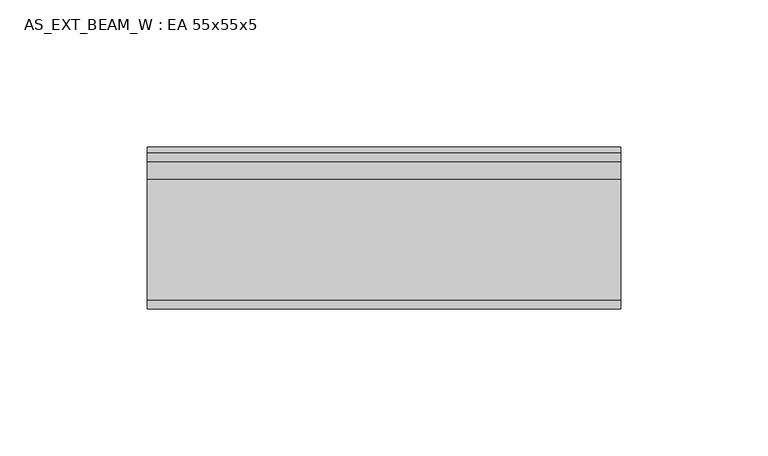
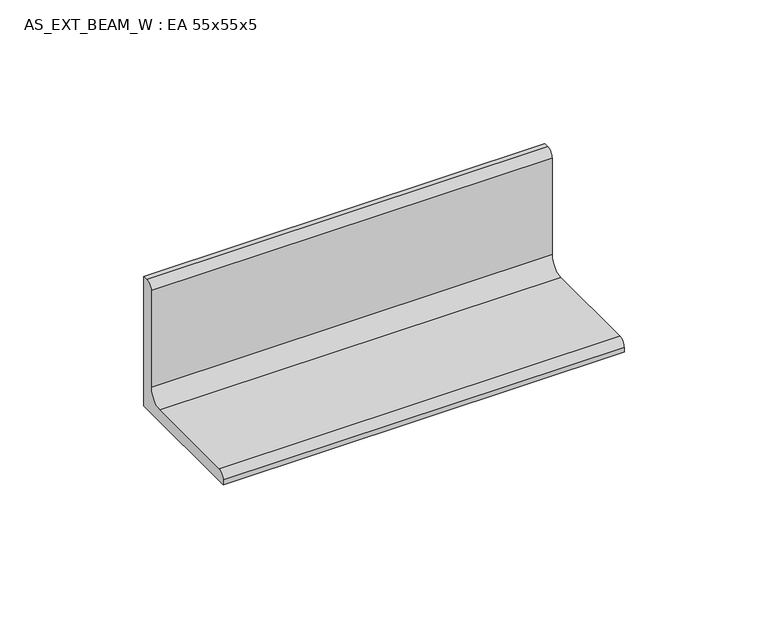
"""IFC4 building model written with IfcOpenShell, lengths in millimetres: beam geometry, AS_EXT_BEAM_W : EA 55x55x5."""

from ifc_helpers import new_model, si_unit, point, frame, frame_2d, origin, place, context, project, spatial, polyline, circle_curve, trimmed, segment, composite_curve, outline, extrude, source, transform, mapped, element, save


def as_ext_beam_w_ea_55x55x5_ef6b7d6e(model_context):
    return source(origin(), model_context, "Body", "SweptSolid", [
        extrude(outline(composite_curve([segment(polyline([(15.2, -15.2), (-39.8, -15.2), (-39.8, -13.2)]), True, "CONTINUOUS"), segment(trimmed(circle_curve(frame_2d((-36.8, -13.2)), 3.0), [point((-39.8, -13.2))], [point((-36.8, -10.2))], False, "CARTESIAN"), True, "CONTINUOUS"), segment(polyline([(-36.8, -10.2), (4.2, -10.2)]), True, "CONTINUOUS"), segment(trimmed(circle_curve(frame_2d((4.2, -4.2)), 6.0), [point((4.2, -10.2))], [point((10.2, -4.2))], True, "CARTESIAN"), True, "CONTINUOUS"), segment(polyline([(10.2, -4.2), (10.2, 36.8)]), True, "CONTINUOUS"), segment(trimmed(circle_curve(frame_2d((13.2, 36.8)), 3.0), [point((10.2, 36.8))], [point((13.2, 39.8))], False, "CARTESIAN"), True, "CONTINUOUS"), segment(polyline([(13.2, 39.8), (15.2, 39.8), (15.2, -15.2)]), True, "CONTINUOUS")], self_intersect=False)), frame((-80.4, 0.0, 0.0), z_axis=(1.0, 0.0, 0.0), x_axis=(0.0, 1.0, 0.0)), (0.0, 0.0, 1.0), 160.8),
    ])


if __name__ == "__main__":
    model = new_model("IFC4")
    model_context = context("Model", 3, world=origin())
    ifc_project = project(units=[si_unit("LENGTHUNIT", "METRE", prefix="MILLI")], contexts=[model_context])
    site = spatial("IfcSite", under=ifc_project)
    building = spatial("IfcBuilding", under=site)
    placement = place(None, origin())
    as_ext_beam_w_ea_55x55x5_shape = as_ext_beam_w_ea_55x55x5_ef6b7d6e(model_context)
    element("IfcBeam", 1, ObjectType="AS_EXT_BEAM_W : EA 55x55x5", at=placement, inside=building, context=model_context, shape_type="MappedRepresentation", body=[
        mapped(as_ext_beam_w_ea_55x55x5_shape, transform((0.0, 0.0, 0.0), x_axis=(1.0, 0.0, 0.0), y_axis=(0.0, 1.0, 0.0), z_axis=(0.0, 0.0, 1.0))),
    ])
    save(model, "model.ifc")
